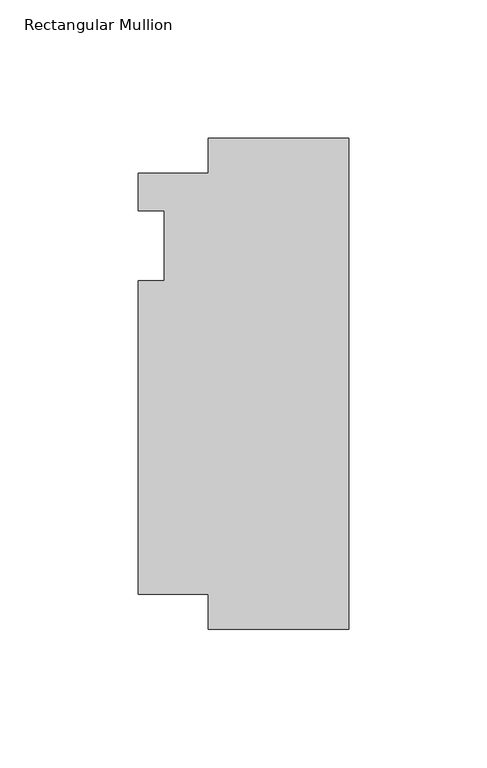
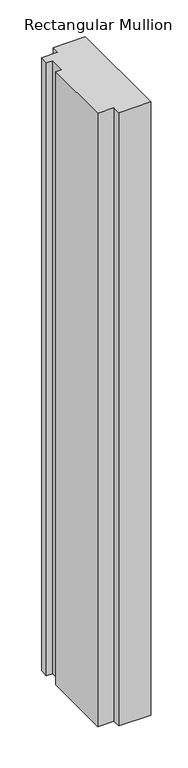
"""IFC4 building model written with IfcOpenShell, lengths in millimetres: member geometry, Rectangular Mullion."""

from ifc_helpers import new_model, si_unit, frame, origin, place, context, project, spatial, polyline, outline, extrude, source, transform, mapped, element, save


def rectangular_mullion_f9bbdd4d(model_context):
    return source(origin(), model_context, "Body", "SweptSolid", [
        extrude(outline(polyline([(-76.2, 26.19375), (-50.8, 26.19375), (-50.8, 38.89375), (0.0, 38.89375), (0.0, -138.9073823), (-50.8, -138.9073823), (-50.8, -126.20625), (-76.2, -126.20625), (-76.2, -12.7), (-66.675, -12.7), (-66.675, 12.7), (-76.2, 12.7), (-76.2, 26.19375)])), frame((0.0, 0.0, -1016.0), z_axis=(0.0, 0.0, 1.0), x_axis=(1.0, 0.0, 0.0)), (0.0, 0.0, 1.0), 1016.0),
    ])


if __name__ == "__main__":
    model = new_model("IFC4")
    model_context = context("Model", 3, world=origin())
    ifc_project = project(units=[si_unit("LENGTHUNIT", "METRE", prefix="MILLI")], contexts=[model_context])
    site = spatial("IfcSite", under=ifc_project)
    building = spatial("IfcBuilding", under=site)
    placement = place(None, origin())
    rectangular_mullion_shape = rectangular_mullion_f9bbdd4d(model_context)
    element("IfcMember", 1, ObjectType="Rectangular Mullion", at=placement, inside=building, context=model_context, shape_type="MappedRepresentation", body=[
        mapped(rectangular_mullion_shape, transform((0.0, 0.0, 0.0), x_axis=(1.0, 0.0, 0.0), y_axis=(0.0, 1.0, 0.0), z_axis=(0.0, 0.0, 1.0))),
    ])
    save(model, "model.ifc")
